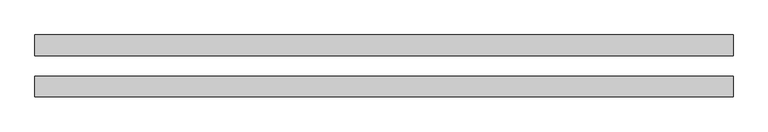
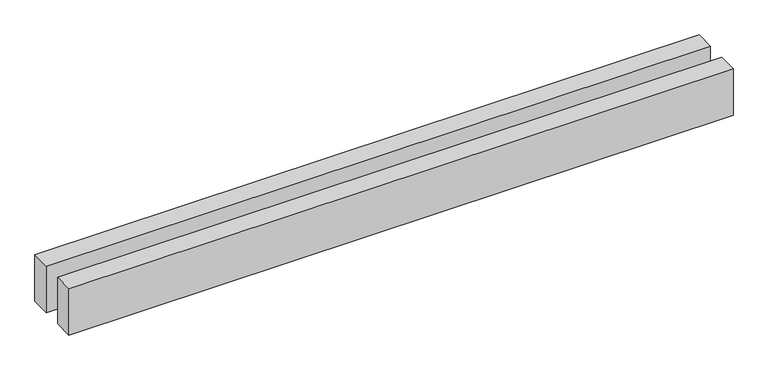
"""IFC4 building model written with IfcOpenShell, lengths in millimetres: proxy geometry."""

from ifc_helpers import new_model, si_unit, origin, origin_with_axes, place, context, project, spatial, polyline, outline, extrude, source, transform, mapped, element, save


def generic_models_b13ed86e(model_context):
    return source(origin(), model_context, "Body", "SweptSolid", [
        extrude(outline(polyline([(6767.488164, 300.0), (6767.488164, 100.0), (0.0, 100.0), (0.0, 300.0), (6767.488164, 300.0)])), origin_with_axes(), (0.0, 0.0, 1.0), 500.0),
        extrude(outline(polyline([(6767.488164, -100.0), (6767.488164, -300.0), (0.0, -300.0), (0.0, -100.0), (6767.488164, -100.0)])), origin_with_axes(), (0.0, 0.0, 1.0), 500.0),
    ])


if __name__ == "__main__":
    model = new_model("IFC4")
    model_context = context("Model", 3, world=origin())
    ifc_project = project(units=[si_unit("LENGTHUNIT", "METRE", prefix="MILLI")], contexts=[model_context])
    site = spatial("IfcSite", under=ifc_project)
    building = spatial("IfcBuilding", under=site)
    placement = place(None, origin())
    generic_models_shape = generic_models_b13ed86e(model_context)
    element("IfcBuildingElementProxy", 1, Name="Generic Models", at=placement, inside=building, context=model_context, shape_type="MappedRepresentation", body=[
        mapped(generic_models_shape, transform((0.0, 0.0, 0.0), x_axis=(1.0, 0.0, 0.0), y_axis=(0.0, 1.0, 0.0), z_axis=(0.0, 0.0, 1.0))),
    ])
    save(model, "model.ifc")
